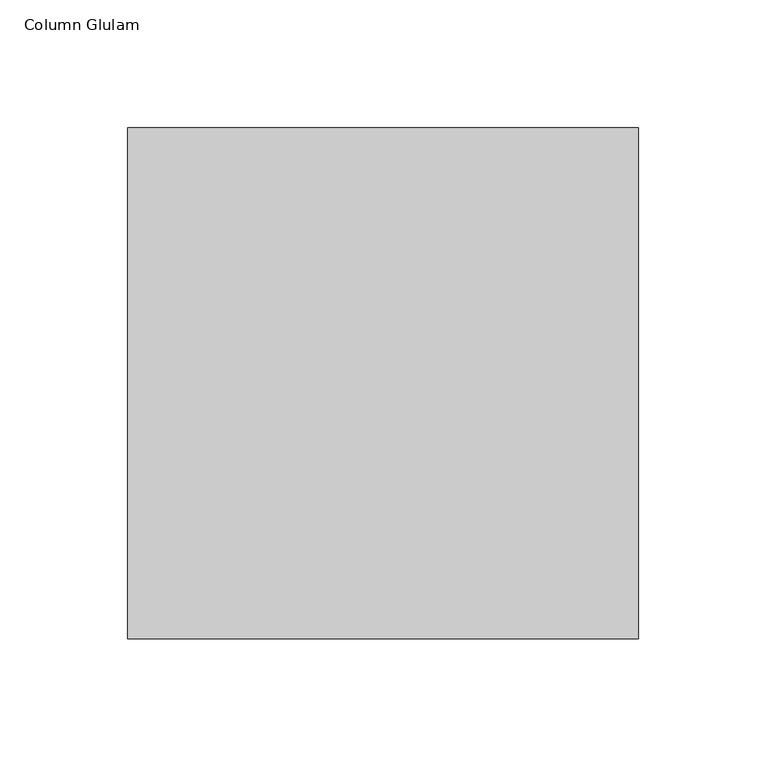
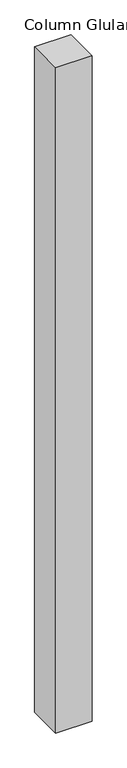
"""IFC4 building model written with IfcOpenShell, lengths in millimetres: column geometry, Column Glulam."""

from ifc_helpers import new_model, si_unit, origin, origin_with_axes, place, context, project, spatial, polyline, outline, extrude, source, transform, mapped, element, save


def column_glulam_a2c1f3c0(model_context):
    return source(origin(), model_context, "Body", "SweptSolid", [
        extrude(outline(polyline([(100.0, 100.0), (100.0, -100.0), (-100.0, -100.0), (-100.0, 100.0), (100.0, 100.0)])), origin_with_axes(), (0.0, 0.0, 1.0), 3871.0),
    ])


if __name__ == "__main__":
    model = new_model("IFC4")
    model_context = context("Model", 3, world=origin())
    ifc_project = project(units=[si_unit("LENGTHUNIT", "METRE", prefix="MILLI")], contexts=[model_context])
    site = spatial("IfcSite", under=ifc_project)
    building = spatial("IfcBuilding", under=site)
    placement = place(None, origin())
    column_glulam_shape = column_glulam_a2c1f3c0(model_context)
    element("IfcColumn", 1, ObjectType="Column Glulam", at=placement, inside=building, context=model_context, shape_type="MappedRepresentation", body=[
        mapped(column_glulam_shape, transform((0.0, 0.0, 0.0), x_axis=(1.0, 0.0, 0.0), y_axis=(0.0, 1.0, 0.0), z_axis=(0.0, 0.0, 1.0))),
    ])
    save(model, "model.ifc")
